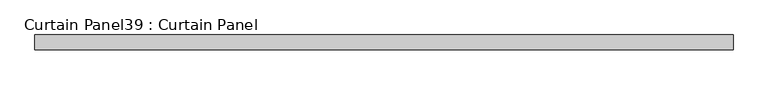
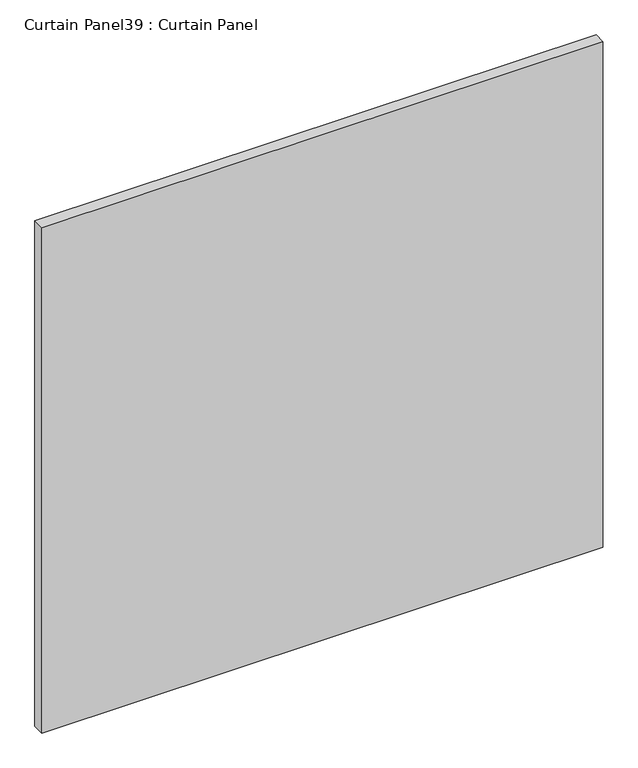
"""IFC4 building model written with IfcOpenShell, lengths in millimetres: plate geometry, Curtain Panel39 : Curtain Panel."""

from ifc_helpers import new_model, si_unit, frame, origin, place, context, project, spatial, polyline, outline, extrude, source, transform, mapped, element, save


def curtain_panel39_curtain_panel_ba505eb8(model_context):
    return source(origin(), model_context, "Body", "SweptSolid", [
        extrude(outline(polyline([(-412624.3652248, 3483.7345246), (-413824.5149983, 3483.7345246), (-413824.5149983, 3509.1345246), (-412624.3652248, 3509.1345246), (-412624.3652248, 3483.7345246)])), frame((0.0, 0.0, 66.6751132), z_axis=(0.0, 0.0, 1.0), x_axis=(1.0, 0.0, 0.0)), (0.0, 0.0, 1.0), 1142.9997736),
    ])


if __name__ == "__main__":
    model = new_model("IFC4")
    model_context = context("Model", 3, world=origin())
    ifc_project = project(units=[si_unit("LENGTHUNIT", "METRE", prefix="MILLI")], contexts=[model_context])
    site = spatial("IfcSite", under=ifc_project)
    building = spatial("IfcBuilding", under=site)
    placement = place(None, origin())
    curtain_panel39_curtain_panel_shape = curtain_panel39_curtain_panel_ba505eb8(model_context)
    element("IfcPlate", 1, ObjectType="Curtain Panel39 : Curtain Panel", at=placement, inside=building, context=model_context, shape_type="MappedRepresentation", body=[
        mapped(curtain_panel39_curtain_panel_shape, transform((0.0, 0.0, 0.0), x_axis=(1.0, 0.0, 0.0), y_axis=(0.0, 1.0, 0.0), z_axis=(0.0, 0.0, 1.0))),
    ])
    save(model, "model.ifc")
